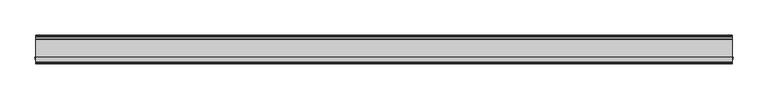
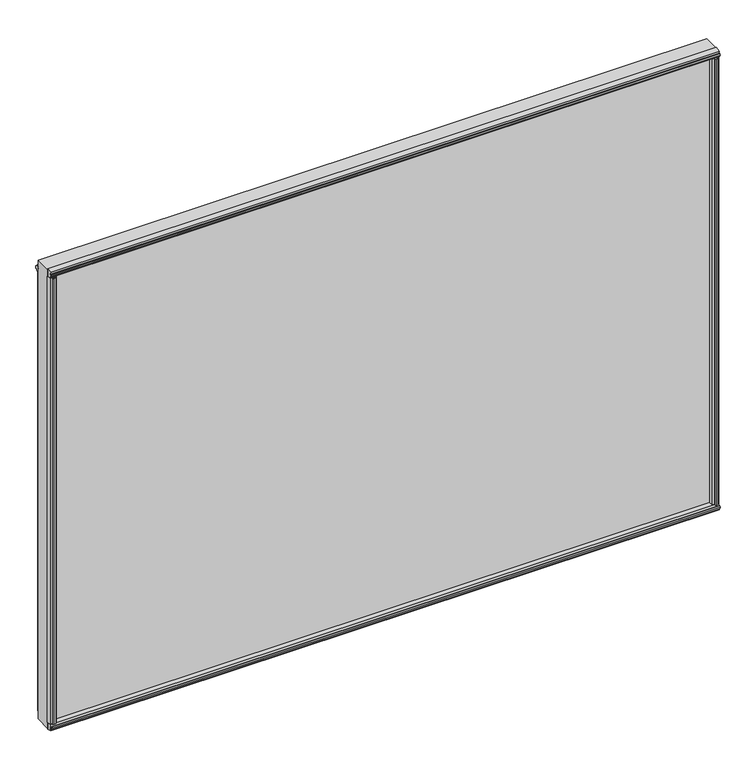
"""IFC4 building model written with IfcOpenShell, lengths in millimetres: plate geometry."""

from ifc_helpers import new_model, si_unit, frame, origin, origin_with_axes, place, context, project, spatial, polyline, outline, extrude, source, transform, mapped, element, save


def plate_7c6db437(model_context):
    return source(origin(), model_context, "Body", "SweptSolid", [
        extrude(outline(polyline([(592.1248, 4.7498), (595.63, 4.7498), (596.1126, 7.4676), (594.5632, 7.2136), (594.5632, 8.0264), (596.9, 8.4328), (599.2368, 8.0264), (599.2368, 7.2136), (597.6874, 7.4676), (598.17, 4.7498), (601.6752, 4.7498), (602.2029556, 2.498043), (601.6752, 0.0), (592.1248, 0.0), (591.5970444, 2.498043), (592.1248, 4.7498)])), frame((0.0, 0.0, 12.303125), z_axis=(0.0, 0.0, 1.0), x_axis=(1.0, 0.0, 0.0)), (0.0, 0.0, 1.0), 834.1363439),
        extrude(outline(polyline([(-598.17, 4.7498), (-597.6874, 7.4676), (-599.2368, 7.2136), (-599.2368, 8.0264), (-596.9, 8.4328), (-594.5632, 8.0264), (-594.5632, 7.2136), (-596.1126, 7.4676), (-595.63, 4.7498), (-592.1248, 4.7498), (-591.5970444, 2.498043), (-592.1248, 0.0), (-601.6752, 0.0), (-602.2029556, 2.498043), (-601.6752, 4.7498), (-598.17, 4.7498)])), frame((0.0, 0.0, 12.303125), z_axis=(0.0, 0.0, 1.0), x_axis=(1.0, 0.0, 0.0)), (0.0, 0.0, 1.0), 834.1363439),
        extrude(outline(polyline([(-596.9034571, -39.5931295), (-595.3549754, -39.3335897), (-595.3520684, -40.1463845), (-597.6874, -40.5611395), (-600.0256386, -40.1630997), (-600.0256386, -39.3503049), (-598.478247, -39.5987618), (-598.9705727, -36.8826581), (-603.2659219, -36.8826581), (-604.4881967, -30.1244), (-590.9698239, -30.1244), (-592.1380079, -36.8582683), (-596.4279109, -36.8582683), (-596.9034571, -39.5931295)])), frame((0.0, 0.0, 12.303125), z_axis=(0.0, 0.0, 1.0), x_axis=(1.0, 0.0, 0.0)), (0.0, 0.0, 1.0), 850.6066564),
        extrude(outline(polyline([(598.478247, -39.5987618), (600.0242, -39.3510013), (600.0242, -40.1633446), (597.6874, -40.5611395), (595.3506, -40.1461237), (595.3506, -39.3328563), (596.9034571, -39.5931295), (596.4305804, -36.8736209), (592.1380079, -36.8736209), (590.9698239, -30.1244), (604.4881967, -30.1244), (603.2659134, -36.8827052), (598.9705642, -36.8827052), (598.478247, -39.5987618)])), frame((0.0, 0.0, 12.303125), z_axis=(0.0, 0.0, 1.0), x_axis=(1.0, 0.0, 0.0)), (0.0, 0.0, 1.0), 850.6066564),
        extrude(outline(polyline([(-30.1244, 12.8880688), (-30.1244, -1.5575618), (-38.3876619, 0.3386981), (-37.7963354, 4.590374), (-40.4217442, 5.4427636), (-40.3836033, 3.8731454), (-41.1886544, 3.9851125), (-41.269274, 6.3556179), (-40.5448426, 8.6141559), (-39.7397916, 8.5021887), (-40.2048076, 7.00255), (-37.4464371, 7.1061584), (-36.8551106, 11.3578343), (-30.1244, 12.8880688)])), frame((-603.25, 0.0, 0.0), z_axis=(1.0, 0.0, 0.0), x_axis=(0.0, 1.0, 0.0)), (0.0, 0.0, 1.0), 1206.5),
        extrude(outline(polyline([(-603.25, 0.0), (603.25, 0.0), (603.25, -30.1244), (-603.25, -30.1244), (-603.25, 0.0)])), origin_with_axes(), (0.0, 0.0, 1.0), 875.6097814),
        extrude(outline(polyline([(-41.1923071, 871.6241608), (-40.3836033, 871.736636), (-40.4217442, 870.1670178), (-37.7963354, 871.0194074), (-38.3876619, 875.2710832), (-30.1244, 877.1673432), (-30.1244, 862.7217126), (-36.8551106, 864.2519471), (-37.4489919, 868.5219921), (-40.2048076, 868.6072314), (-39.7397916, 867.1075926), (-40.5448426, 866.9956255), (-41.269274, 869.2541635), (-41.1923071, 871.6241608)])), frame((-603.25, 0.0, 0.0), z_axis=(1.0, 0.0, 0.0), x_axis=(0.0, 1.0, 0.0)), (0.0, 0.0, 1.0), 1206.5),
        extrude(outline(polyline([(7e-07, 863.1963803), (1.2801385, 863.2483231), (1.6431889, 864.120763), (4.013566, 863.9550101), (4.5281084, 863.1921696), (5.2493506, 862.8216887), (4.999789, 859.3253841), (7.0854389, 858.7203963), (6.9875562, 860.2530141), (7.7844071, 860.1961359), (7.9539912, 857.8412859), (7.4516584, 855.5343964), (6.6548075, 855.5912746), (6.9699201, 857.0909614), (4.8189473, 856.79183), (4.5693858, 853.2955254), (3.7550817, 853.0147772), (3.0688701, 852.2997816), (0.8065329, 852.5305062), (0.602008, 853.4328697), (-0.6799641, 853.6702169), (7e-07, 863.1963803)])), frame((-603.25, 0.0, 0.0), z_axis=(1.0, 0.0, 0.0), x_axis=(0.0, 1.0, 0.0)), (0.0, 0.0, 1.0), 1206.5),
    ])


if __name__ == "__main__":
    model = new_model("IFC4")
    model_context = context("Model", 3, world=origin())
    ifc_project = project(units=[si_unit("LENGTHUNIT", "METRE", prefix="MILLI")], contexts=[model_context])
    site = spatial("IfcSite", under=ifc_project)
    building = spatial("IfcBuilding", under=site)
    placement = place(None, origin())
    plate_shape = plate_7c6db437(model_context)
    element("IfcPlate", 1, at=placement, inside=building, context=model_context, shape_type="MappedRepresentation", body=[
        mapped(plate_shape, transform((0.0, 0.0, 0.0), x_axis=(1.0, 0.0, 0.0), y_axis=(0.0, 1.0, 0.0), z_axis=(0.0, 0.0, 1.0))),
    ])
    save(model, "model.ifc")
